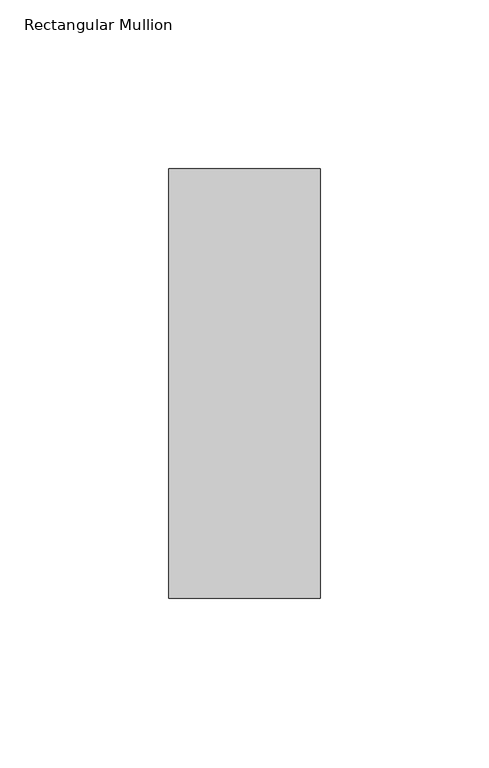
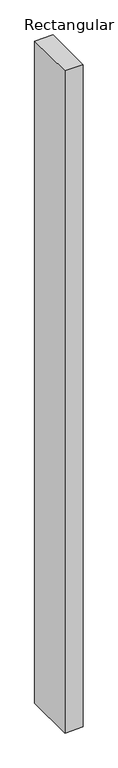
"""IFC4 building model written with IfcOpenShell, lengths in millimetres: member geometry, Rectangular Mullion."""

from ifc_helpers import new_model, si_unit, frame, origin, place, context, project, spatial, polyline, outline, extrude, source, transform, mapped, element, save


def rectangular_mullion_a7312628(model_context):
    return source(origin(), model_context, "Body", "SweptSolid", [
        extrude(outline(polyline([(22.5, 91.73125), (22.5, -35.73125), (-22.5, -35.73125), (-22.5, 91.73125), (22.5, 91.73125)])), frame((0.0, 0.0, -1708.8912252), z_axis=(0.0, 0.0, 1.0), x_axis=(1.0, 0.0, 0.0)), (0.0, 0.0, 1.0), 1708.8912252),
    ])


if __name__ == "__main__":
    model = new_model("IFC4")
    model_context = context("Model", 3, world=origin())
    ifc_project = project(units=[si_unit("LENGTHUNIT", "METRE", prefix="MILLI")], contexts=[model_context])
    site = spatial("IfcSite", under=ifc_project)
    building = spatial("IfcBuilding", under=site)
    placement = place(None, origin())
    rectangular_mullion_shape = rectangular_mullion_a7312628(model_context)
    element("IfcMember", 1, ObjectType="Rectangular Mullion", at=placement, inside=building, context=model_context, shape_type="MappedRepresentation", body=[
        mapped(rectangular_mullion_shape, transform((0.0, 0.0, 0.0), x_axis=(1.0, 0.0, 0.0), y_axis=(0.0, 1.0, 0.0), z_axis=(0.0, 0.0, 1.0))),
    ])
    save(model, "model.ifc")
